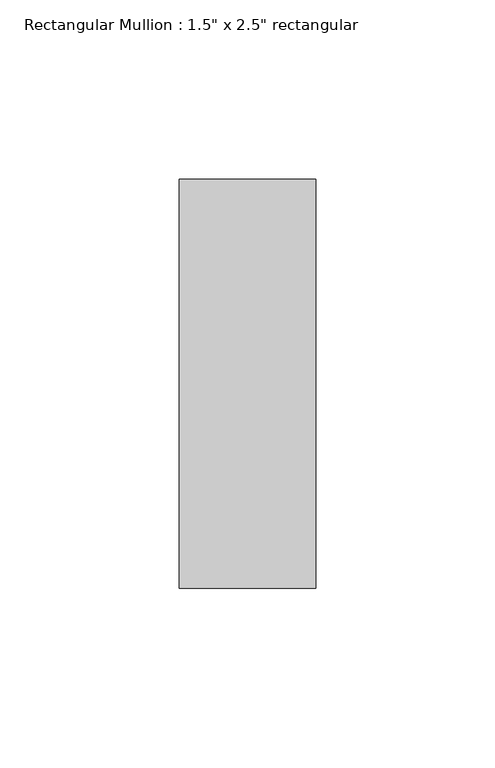
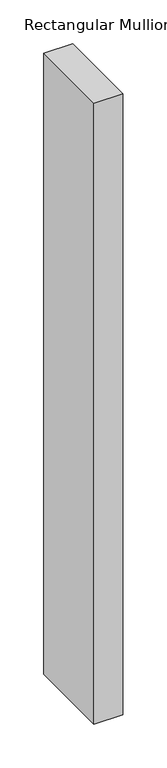
"""IFC4 building model written with IfcOpenShell, lengths in millimetres: member geometry."""

from ifc_helpers import new_model, si_unit, frame, origin, place, context, project, spatial, polyline, outline, extrude, source, transform, mapped, element, save


def member_535e4e00(model_context):
    return source(origin(), model_context, "Body", "SweptSolid", [
        extrude(outline(polyline([(19.05, 57.15), (19.05, -57.15), (-19.05, -57.15), (-19.05, 57.15), (19.05, 57.15)])), frame((0.0, 0.0, -864.3419147), z_axis=(0.0, 0.0, 1.0), x_axis=(1.0, 0.0, 0.0)), (0.0, 0.0, 1.0), 864.3419147),
    ])


if __name__ == "__main__":
    model = new_model("IFC4")
    model_context = context("Model", 3, world=origin())
    ifc_project = project(units=[si_unit("LENGTHUNIT", "METRE", prefix="MILLI")], contexts=[model_context])
    site = spatial("IfcSite", under=ifc_project)
    building = spatial("IfcBuilding", under=site)
    placement = place(None, origin())
    member_shape = member_535e4e00(model_context)
    element("IfcMember", 1, ObjectType="Rectangular Mullion : 1.5\" x 2.5\" rectangular", at=placement, inside=building, context=model_context, shape_type="MappedRepresentation", body=[
        mapped(member_shape, transform((0.0, 0.0, 0.0), x_axis=(1.0, 0.0, 0.0), y_axis=(0.0, 1.0, 0.0), z_axis=(0.0, 0.0, 1.0))),
    ])
    save(model, "model.ifc")
